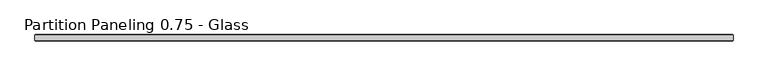
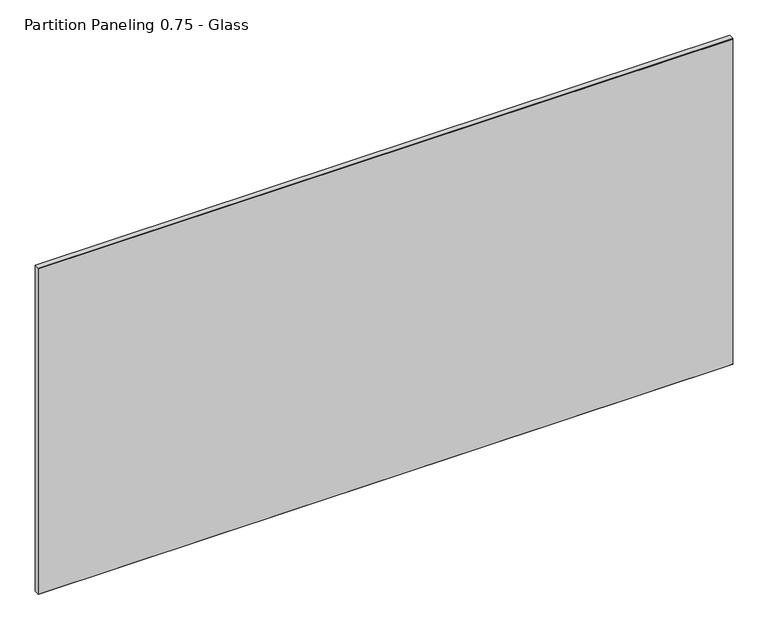
"""IFC4 building model written with IfcOpenShell, lengths in millimetres: proxy geometry, Partition Paneling 0.75 - Glass."""

from ifc_helpers import new_model, si_unit, origin, place, context, project, spatial, faceted_brep, source, transform, mapped, element, save


def partition_paneling_0_75_glass_132a0320(model_context):
    return source(origin(), model_context, "Body", "Brep", [
        faceted_brep([(0.0, 17.4625, 1066.8), (0.0, 1.5875, 1066.8), (2148.68125, 1.5875, 1066.8), (2148.68125, 17.4625, 1066.8), (2148.68125, 17.4625, 0.0), (2148.68125, 1.5875, 0.0), (0.0, 1.5875, 0.0), (0.0, 17.4625, 0.0), (2147.09375, 19.05, 1065.2125), (2147.09375, 19.05, 1.5875), (1.5875, 19.05, 1.5875), (1.5875, 19.05, 1065.2125), (1.5875, 0.0, 1065.2125), (1.5875, 0.0, 1.5875), (2147.09375, 0.0, 1.5875), (2147.09375, 0.0, 1065.2125)], [[[0, 1, 2, 3]], [[4, 5, 6, 7]], [[8, 9, 10, 11]], [[1, 0, 7, 6]], [[12, 13, 14, 15]], [[3, 2, 5, 4]], [[1, 6, 13, 12]], [[5, 2, 15, 14]], [[2, 1, 12, 15]], [[6, 5, 14, 13]], [[7, 0, 11, 10]], [[3, 4, 9, 8]], [[0, 3, 8, 11]], [[4, 7, 10, 9]]]),
    ])


if __name__ == "__main__":
    model = new_model("IFC4")
    model_context = context("Model", 3, world=origin())
    ifc_project = project(units=[si_unit("LENGTHUNIT", "METRE", prefix="MILLI")], contexts=[model_context])
    site = spatial("IfcSite", under=ifc_project)
    building = spatial("IfcBuilding", under=site)
    placement = place(None, origin())
    partition_paneling_0_75_glass_shape = partition_paneling_0_75_glass_132a0320(model_context)
    element("IfcBuildingElementProxy", 1, Name="Partition Paneling 0.75 - Glass", ObjectType="Partition Paneling 0.75 - Glass", at=placement, inside=building, context=model_context, shape_type="MappedRepresentation", body=[
        mapped(partition_paneling_0_75_glass_shape, transform((0.0, 0.0, 0.0), x_axis=(1.0, 0.0, 0.0), y_axis=(0.0, 1.0, 0.0), z_axis=(0.0, 0.0, 1.0))),
    ])
    save(model, "model.ifc")
